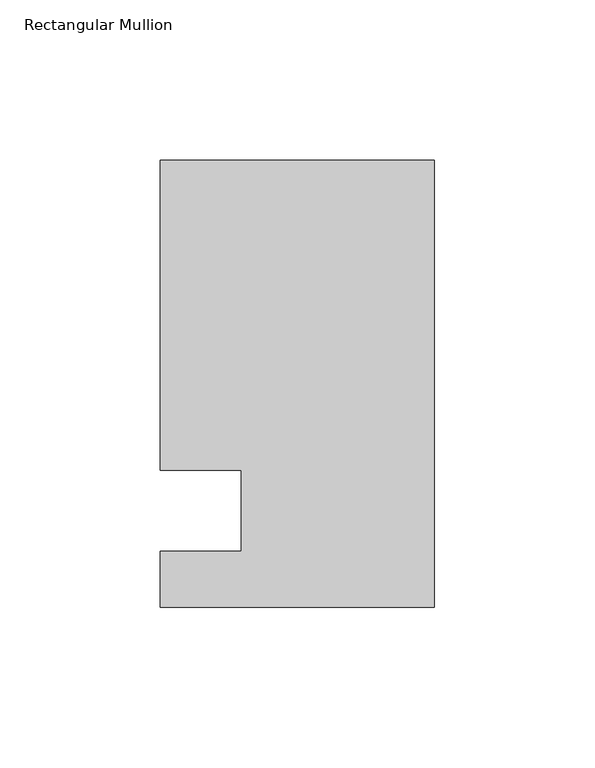
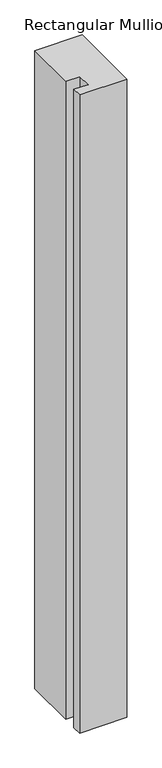
"""IFC4 building model written with IfcOpenShell, lengths in millimetres: member geometry, Rectangular Mullion."""

from ifc_helpers import new_model, si_unit, frame, origin, place, context, project, spatial, polyline, outline, extrude, source, transform, mapped, element, save


def rectangular_mullion_b8034cdb(model_context):
    return source(origin(), model_context, "Body", "SweptSolid", [
        extrude(outline(polyline([(-85.725, 109.5375), (0.0, 109.5375), (0.0, -30.1625), (-85.725, -30.1625), (-85.725, -12.7), (-60.3232296, -12.7), (-60.3232296, 12.7), (-85.725, 12.7), (-85.725, 109.5375)])), frame((0.0, 0.0, -1219.2), z_axis=(0.0, 0.0, 1.0), x_axis=(1.0, 0.0, 0.0)), (0.0, 0.0, 1.0), 1219.2),
    ])


if __name__ == "__main__":
    model = new_model("IFC4")
    model_context = context("Model", 3, world=origin())
    ifc_project = project(units=[si_unit("LENGTHUNIT", "METRE", prefix="MILLI")], contexts=[model_context])
    site = spatial("IfcSite", under=ifc_project)
    building = spatial("IfcBuilding", under=site)
    placement = place(None, origin())
    rectangular_mullion_shape = rectangular_mullion_b8034cdb(model_context)
    element("IfcMember", 1, ObjectType="Rectangular Mullion", at=placement, inside=building, context=model_context, shape_type="MappedRepresentation", body=[
        mapped(rectangular_mullion_shape, transform((0.0, 0.0, 0.0), x_axis=(1.0, 0.0, 0.0), y_axis=(0.0, 1.0, 0.0), z_axis=(0.0, 0.0, 1.0))),
    ])
    save(model, "model.ifc")
